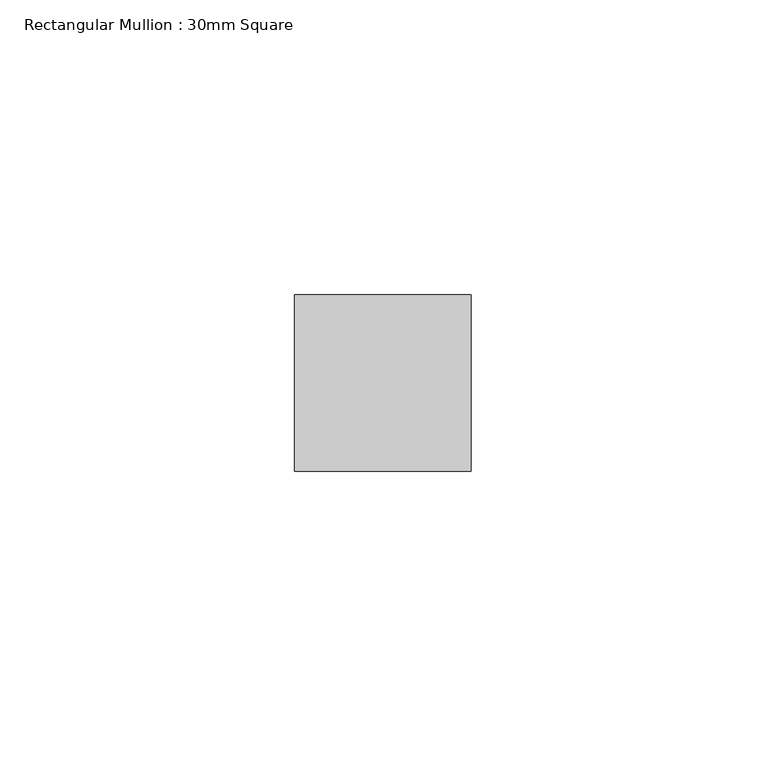
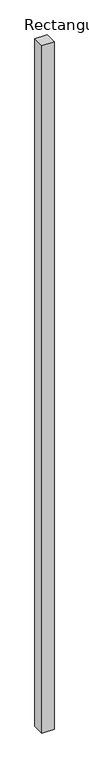
"""IFC4 building model written with IfcOpenShell, lengths in millimetres: member geometry, Rectangular Mullion : 30mm Square."""

from ifc_helpers import new_model, si_unit, frame, origin, place, context, project, spatial, polyline, outline, extrude, source, transform, mapped, element, save


def rectangular_mullion_30mm_square_d70df42f(model_context):
    return source(origin(), model_context, "Body", "SweptSolid", [
        extrude(outline(polyline([(15.0, 15.0), (15.0, -15.0), (-15.0, -15.0), (-15.0, 15.0), (15.0, 15.0)])), frame((0.0, 0.0, -1797.2666321), z_axis=(0.0, 0.0, 1.0), x_axis=(1.0, 0.0, 0.0)), (0.0, 0.0, 1.0), 1797.2666321),
    ])


if __name__ == "__main__":
    model = new_model("IFC4")
    model_context = context("Model", 3, world=origin())
    ifc_project = project(units=[si_unit("LENGTHUNIT", "METRE", prefix="MILLI")], contexts=[model_context])
    site = spatial("IfcSite", under=ifc_project)
    building = spatial("IfcBuilding", under=site)
    placement = place(None, origin())
    rectangular_mullion_30mm_square_shape = rectangular_mullion_30mm_square_d70df42f(model_context)
    element("IfcMember", 1, ObjectType="Rectangular Mullion : 30mm Square", at=placement, inside=building, context=model_context, shape_type="MappedRepresentation", body=[
        mapped(rectangular_mullion_30mm_square_shape, transform((0.0, 0.0, 0.0), x_axis=(1.0, 0.0, 0.0), y_axis=(0.0, 1.0, 0.0), z_axis=(0.0, 0.0, 1.0))),
    ])
    save(model, "model.ifc")
